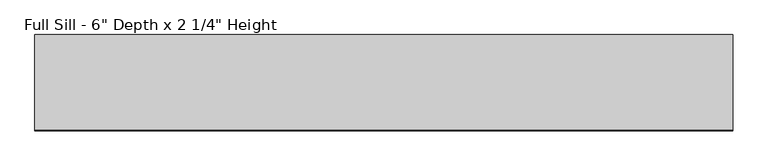
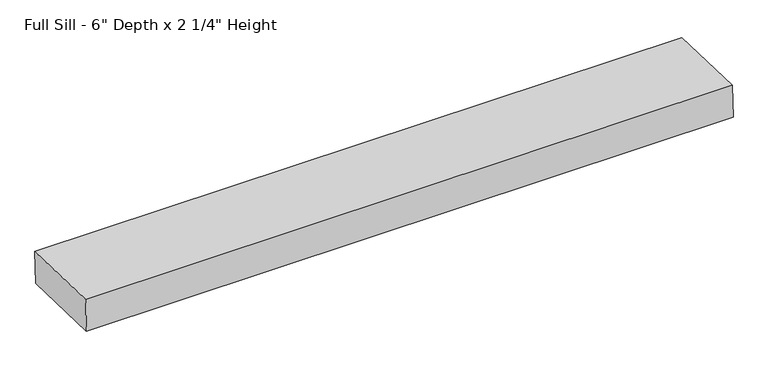
"""IFC4 building model written with IfcOpenShell, lengths in millimetres: proxy geometry."""

from ifc_helpers import new_model, si_unit, frame, origin, place, context, project, spatial, polyline, outline, extrude, source, transform, mapped, element, save


def proxy_2d59221f(model_context):
    return source(origin(), model_context, "Body", "SweptSolid", [
        extrude(outline(polyline([(0.0, -152.4), (0.0, 0.0), (1117.6, 0.0), (1117.6, -152.4), (0.0, -152.4)])), frame((558.8, 36.605338, 5.3186833), z_axis=(0.0, 0.03489949670250386, 0.9993908270190957), x_axis=(-1.0, 0.0, 0.0)), (0.0, 0.0, 1.0), 57.15),
    ])


if __name__ == "__main__":
    model = new_model("IFC4")
    model_context = context("Model", 3, world=origin())
    ifc_project = project(units=[si_unit("LENGTHUNIT", "METRE", prefix="MILLI")], contexts=[model_context])
    site = spatial("IfcSite", under=ifc_project)
    building = spatial("IfcBuilding", under=site)
    placement = place(None, origin())
    proxy_shape = proxy_2d59221f(model_context)
    element("IfcBuildingElementProxy", 1, Name="Full Sill - 6\" Depth x 2 1/4\" Height", ObjectType="Full Sill - 6\" Depth x 2 1/4\" Height", at=placement, inside=building, context=model_context, shape_type="MappedRepresentation", body=[
        mapped(proxy_shape, transform((0.0, 0.0, 0.0), x_axis=(1.0, 0.0, 0.0), y_axis=(0.0, 1.0, 0.0), z_axis=(0.0, 0.0, 1.0))),
    ])
    save(model, "model.ifc")
